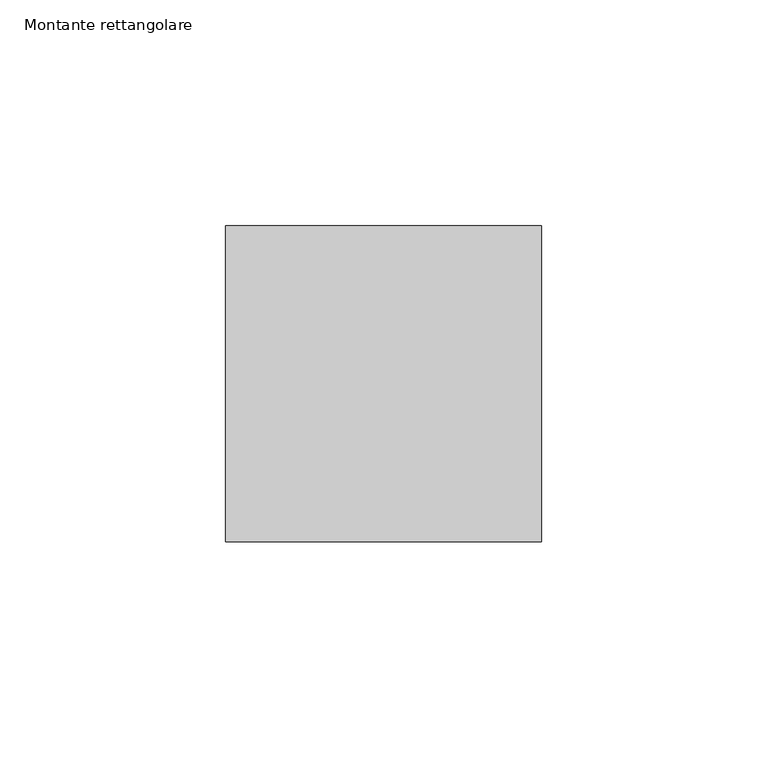
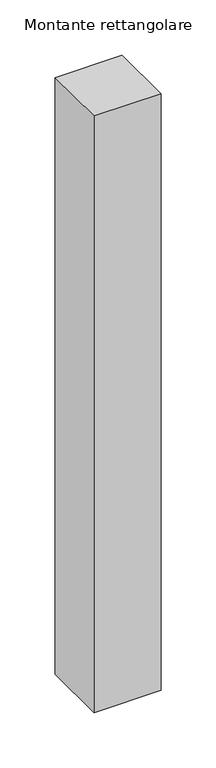
"""IFC4 building model written with IfcOpenShell, lengths in millimetres: member geometry, Montante rettangolare."""

from ifc_helpers import new_model, si_unit, frame, origin, place, context, project, spatial, polyline, outline, extrude, source, transform, mapped, element, save


def montante_rettangolare_bf04789c(model_context):
    return source(origin(), model_context, "Body", "SweptSolid", [
        extrude(outline(polyline([(0.0, 35.0), (0.0, -35.0), (-70.0, -35.0), (-70.0, 35.0), (0.0, 35.0)])), frame((0.0, 0.0, -658.6928046), z_axis=(0.0, 0.0, 1.0), x_axis=(1.0, 0.0, 0.0)), (0.0, 0.0, 1.0), 658.6928046),
    ])


if __name__ == "__main__":
    model = new_model("IFC4")
    model_context = context("Model", 3, world=origin())
    ifc_project = project(units=[si_unit("LENGTHUNIT", "METRE", prefix="MILLI")], contexts=[model_context])
    site = spatial("IfcSite", under=ifc_project)
    building = spatial("IfcBuilding", under=site)
    placement = place(None, origin())
    montante_rettangolare_shape = montante_rettangolare_bf04789c(model_context)
    element("IfcMember", 1, ObjectType="Montante rettangolare", at=placement, inside=building, context=model_context, shape_type="MappedRepresentation", body=[
        mapped(montante_rettangolare_shape, transform((0.0, 0.0, 0.0), x_axis=(1.0, 0.0, 0.0), y_axis=(0.0, 1.0, 0.0), z_axis=(0.0, 0.0, 1.0))),
    ])
    save(model, "model.ifc")
